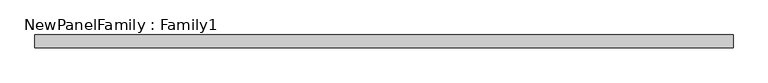
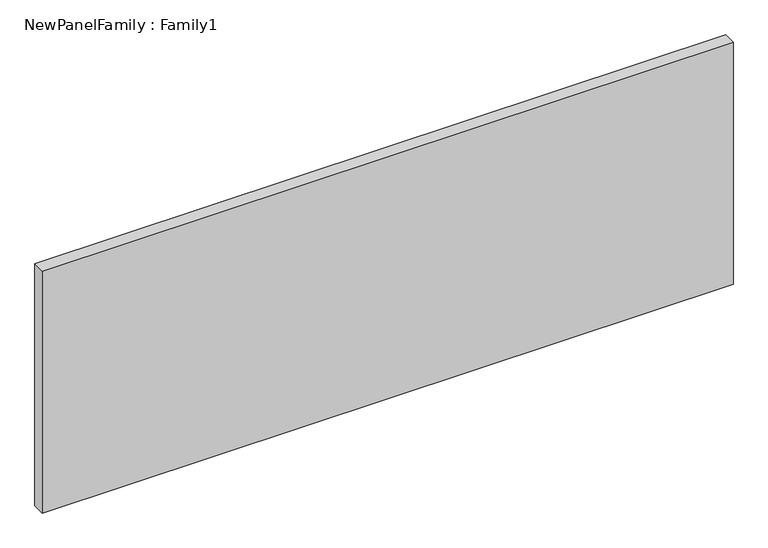
"""IFC4 building model written with IfcOpenShell, lengths in millimetres: proxy geometry, NewPanelFamily : Family1."""

from ifc_helpers import new_model, si_unit, origin, origin_with_axes, place, context, project, spatial, polyline, outline, extrude, source, transform, mapped, element, save


def newpanelfamily_family1_2a82962d(model_context):
    return source(origin(), model_context, "Body", "SweptSolid", [
        extrude(outline(polyline([(1350.0, 25.0), (1350.0, -25.0), (-1350.0, -25.0), (-1350.0, 25.0), (1350.0, 25.0)])), origin_with_axes(), (0.0, 0.0, 1.0), 1000.0),
    ])


if __name__ == "__main__":
    model = new_model("IFC4")
    model_context = context("Model", 3, world=origin())
    ifc_project = project(units=[si_unit("LENGTHUNIT", "METRE", prefix="MILLI")], contexts=[model_context])
    site = spatial("IfcSite", under=ifc_project)
    building = spatial("IfcBuilding", under=site)
    placement = place(None, origin())
    newpanelfamily_family1_shape = newpanelfamily_family1_2a82962d(model_context)
    element("IfcBuildingElementProxy", 1, Name="NewPanelFamily : Family1", ObjectType="NewPanelFamily : Family1", at=placement, inside=building, context=model_context, shape_type="MappedRepresentation", body=[
        mapped(newpanelfamily_family1_shape, transform((0.0, 0.0, 0.0), x_axis=(1.0, 0.0, 0.0), y_axis=(0.0, 1.0, 0.0), z_axis=(0.0, 0.0, 1.0))),
    ])
    save(model, "model.ifc")
